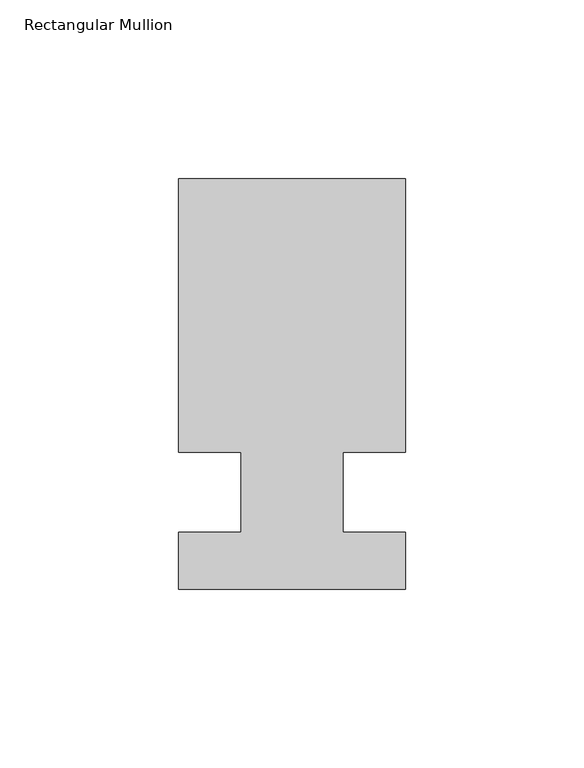
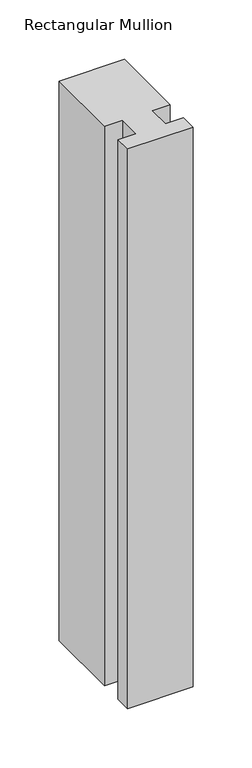
"""IFC4 building model written with IfcOpenShell, lengths in millimetres: member geometry, Rectangular Mullion."""

from ifc_helpers import new_model, si_unit, frame, origin, place, context, project, spatial, polyline, outline, extrude, source, transform, mapped, element, save


def rectangular_mullion_41cfba25(model_context):
    return source(origin(), model_context, "Body", "SweptSolid", [
        extrude(outline(polyline([(-31.75, -53.9059438), (-31.75, -38.0563438), (-14.2875, -38.0563438), (-14.2875, -15.5773438), (-31.75, -15.5773437), (-31.75, 60.9528562), (31.75, 60.9528562), (31.75, -15.5773438), (14.2875, -15.5773437), (14.2875, -38.0563438), (31.75, -38.0563438), (31.75, -53.9059438), (-31.75, -53.9059438)])), frame((0.0, 0.0, -574.8842542), z_axis=(0.0, 0.0, 1.0), x_axis=(1.0, 0.0, 0.0)), (0.0, 0.0, 1.0), 574.8842542),
    ])


if __name__ == "__main__":
    model = new_model("IFC4")
    model_context = context("Model", 3, world=origin())
    ifc_project = project(units=[si_unit("LENGTHUNIT", "METRE", prefix="MILLI")], contexts=[model_context])
    site = spatial("IfcSite", under=ifc_project)
    building = spatial("IfcBuilding", under=site)
    placement = place(None, origin())
    rectangular_mullion_shape = rectangular_mullion_41cfba25(model_context)
    element("IfcMember", 1, ObjectType="Rectangular Mullion", at=placement, inside=building, context=model_context, shape_type="MappedRepresentation", body=[
        mapped(rectangular_mullion_shape, transform((0.0, 0.0, 0.0), x_axis=(1.0, 0.0, 0.0), y_axis=(0.0, 1.0, 0.0), z_axis=(0.0, 0.0, 1.0))),
    ])
    save(model, "model.ifc")
